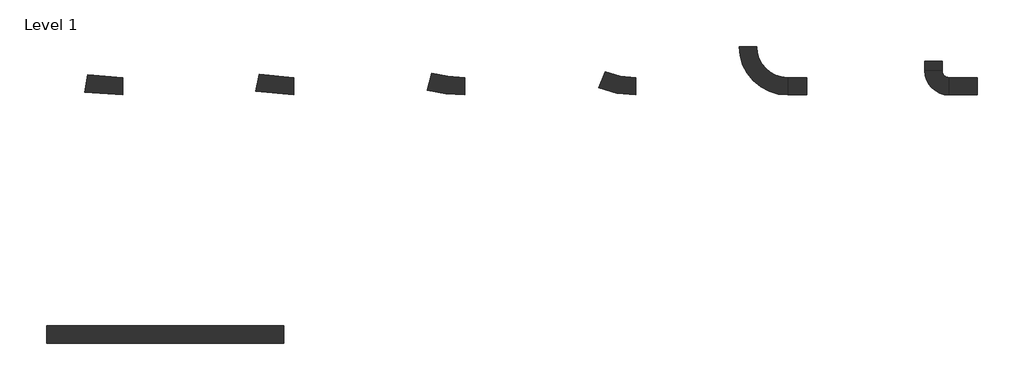
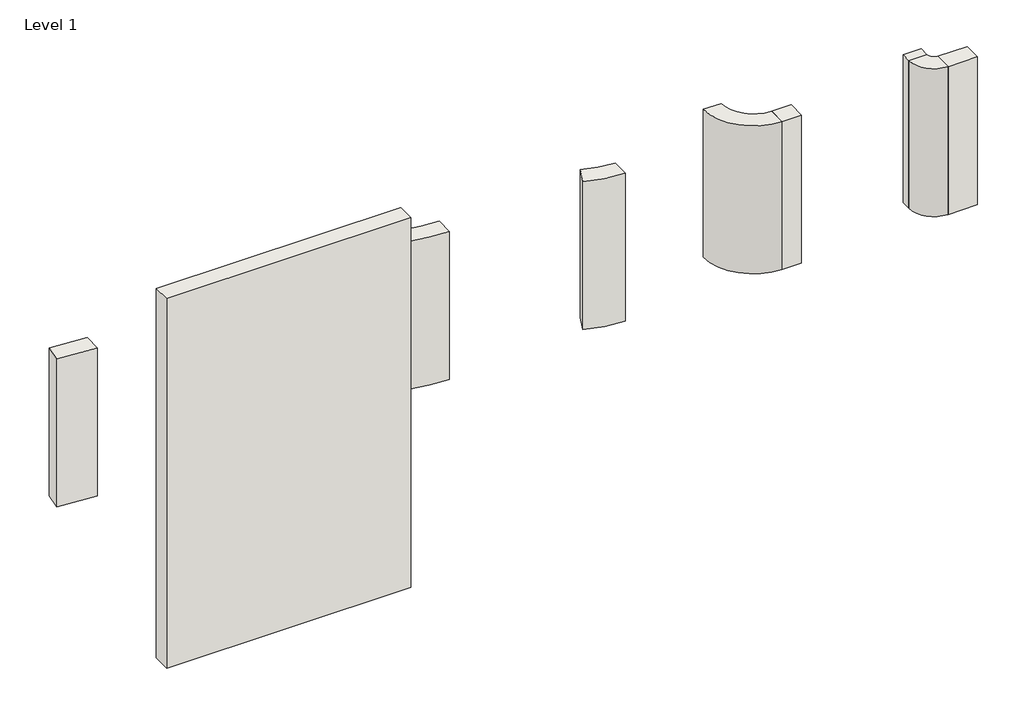
# One storey: 10 walls.
"""IFC4 building model written with IfcOpenShell, lengths in millimetres."""

from ifc_helpers import new_model, si_unit, point, frame_2d, origin, origin_with_axes, place, context, project, spatial, polyline, circle_curve, trimmed, segment, composite_curve, outline, extrude, element, save

model = new_model("IFC4")

# Units and contexts
model_context = context("Model", 3, world=origin())
ifc_project = project(units=[si_unit("LENGTHUNIT", "METRE", prefix="MILLI")], contexts=[model_context])

# Site, building, storey
site = spatial("IfcSite", under=ifc_project)
building = spatial("IfcBuilding", under=site)
storey = spatial("IfcBuildingStorey", under=building, Name="Level 1", Elevation=0.0)

# Walls
placement = place(None, origin())
element("IfcWall", 1, at=placement, inside=storey, context=model_context, shape_type="SweptSolid", body=[
    extrude(outline(polyline([(-32606.0820506, -11550.1926498), (-33063.2820506, -11550.1926498), (-33063.2820506, -11270.7926498), (-32606.0820506, -11270.7926498), (-32606.0820506, -11550.1926498)])), origin_with_axes(), (0.0, 0.0, 1.0), 2438.4),
])
element("IfcWall", 2, at=placement, inside=storey, context=model_context, shape_type="SweptSolid", body=[
    extrude(outline(composite_curve([segment(polyline([(-33063.2820506, -11270.7926498), (-33063.2820506, -11550.1926498)]), True, "CONTINUOUS"), segment(trimmed(circle_curve(frame_2d((-33063.2820506, -11162.0488998)), 388.14375), [point((-33063.2820506, -11550.1926498))], [point((-33451.4258006, -11162.0488998))], False, "CARTESIAN"), True, "CONTINUOUS"), segment(polyline([(-33451.4258006, -11162.0488998), (-33172.0258006, -11162.0488998)]), True, "CONTINUOUS"), segment(trimmed(circle_curve(frame_2d((-33063.2820506, -11162.0488998)), 108.74375), [point((-33172.0258006, -11162.0488998))], [point((-33063.2820506, -11270.7926498))], True, "CARTESIAN"), True, "CONTINUOUS")], self_intersect=False)), origin_with_axes(), (0.0, 0.0, 1.0), 2438.4),
])
element("IfcWall", 3, at=placement, inside=storey, context=model_context, shape_type="SweptSolid", body=[
    extrude(outline(polyline([(-33451.4258006, -11162.0488998), (-33451.4258006, -11008.8551498), (-33172.0258006, -11008.8551498), (-33172.0258006, -11162.0488998), (-33451.4258006, -11162.0488998)])), origin_with_axes(), (0.0, 0.0, 1.0), 2438.4),
])
element("IfcWall", 4, at=placement, inside=storey, context=model_context, shape_type="SweptSolid", body=[
    extrude(outline(polyline([(-35349.2820506, -11550.1926498), (-35654.0820506, -11550.1926498), (-35654.0820506, -11270.7926498), (-35349.2820506, -11270.7926498), (-35349.2820506, -11550.1926498)])), origin_with_axes(), (0.0, 0.0, 1.0), 2438.4),
])
element("IfcWall", 5, at=placement, inside=storey, context=model_context, shape_type="SweptSolid", body=[
    extrude(outline(composite_curve([segment(polyline([(-35654.0820506, -11270.7926498), (-35654.0820506, -11550.1926498)]), True, "CONTINUOUS"), segment(trimmed(circle_curve(frame_2d((-35654.0820506, -10773.9051498)), 776.2875), [point((-35654.0820506, -11550.1926498))], [point((-36430.3689471, -10772.9372103))], False, "CARTESIAN"), True, "CONTINUOUS"), segment(polyline([(-36430.3689471, -10772.9372103), (-36150.9691643, -10773.2855893)]), True, "CONTINUOUS"), segment(trimmed(circle_curve(frame_2d((-35654.0820506, -10773.9051498)), 496.8875), [point((-36150.9691643, -10773.2855893))], [point((-35654.0820506, -11270.7926498))], True, "CARTESIAN"), True, "CONTINUOUS")], self_intersect=False)), origin_with_axes(), (0.0, 0.0, 1.0), 2438.4),
])
element("IfcWall", 6, at=placement, inside=storey, context=model_context, shape_type="SweptSolid", body=[
    extrude(outline(composite_curve([segment(polyline([(-40835.6820506, -11270.7926498), (-40835.6820506, -11550.1926498)]), True, "CONTINUOUS"), segment(trimmed(circle_curve(frame_2d((-40835.6820506, -9218.4453456)), 2331.7473042), [point((-40835.6820506, -11550.1926498))], [point((-41439.1826612, -11470.7402871))], False, "CARTESIAN"), True, "CONTINUOUS"), segment(polyline([(-41439.1826612, -11470.7402871), (-41366.86862, -11200.8606113)]), True, "CONTINUOUS"), segment(trimmed(circle_curve(frame_2d((-40835.6820506, -9218.4453456)), 2052.3473042), [point((-41366.86862, -11200.8606113))], [point((-40835.6820506, -11270.7926498))], True, "CARTESIAN"), True, "CONTINUOUS")], self_intersect=False)), origin_with_axes(), (0.0, 0.0, 1.0), 2438.4),
])
element("IfcWall", 7, at=placement, inside=storey, context=model_context, shape_type="SweptSolid", body=[
    extrude(outline(composite_curve([segment(polyline([(-43578.8820506, -11270.7926498), (-43578.8820506, -11550.1926498)]), True, "CONTINUOUS"), segment(trimmed(circle_curve(frame_2d((-43578.8820506, -8446.5665538)), 3103.626096), [point((-43578.8820506, -11550.1926498))], [point((-44184.369465, -11490.5573446))], False, "CARTESIAN"), True, "CONTINUOUS"), segment(polyline([(-44184.369465, -11490.5573446), (-44129.8612291, -11216.5259373)]), True, "CONTINUOUS"), segment(trimmed(circle_curve(frame_2d((-43578.8820506, -8446.5665538)), 2824.226096), [point((-44129.8612291, -11216.5259373))], [point((-43578.8820506, -11270.7926498))], True, "CARTESIAN"), True, "CONTINUOUS")], self_intersect=False)), origin_with_axes(), (0.0, 0.0, 1.0), 2438.4),
])
element("IfcWall", 8, at=placement, inside=storey, context=model_context, shape_type="SweptSolid", body=[
    extrude(outline(composite_curve([segment(polyline([(-46322.0820506, -11270.7926498), (-46322.0820506, -11550.1926498)]), True, "CONTINUOUS"), segment(trimmed(circle_curve(frame_2d((-46322.0820506, -7668.8222296)), 3881.3704202), [point((-46322.0820506, -11550.1926498))], [point((-46929.2621559, -11502.4065392))], False, "CARTESIAN"), True, "CONTINUOUS"), segment(polyline([(-46929.2621559, -11502.4065392), (-46885.5543663, -11226.4464168)]), True, "CONTINUOUS"), segment(trimmed(circle_curve(frame_2d((-46322.0820506, -7668.8222296)), 3601.9704202), [point((-46885.5543663, -11226.4464168))], [point((-46322.0820506, -11270.7926498))], True, "CARTESIAN"), True, "CONTINUOUS")], self_intersect=False)), origin_with_axes(), (0.0, 0.0, 1.0), 2438.4),
])
element("IfcWall", 9, at=placement, inside=storey, context=model_context, shape_type="SweptSolid", body=[
    extrude(outline(composite_curve([segment(polyline([(-38092.4820506, -11270.7926498), (-38092.4820506, -11550.1926498)]), True, "CONTINUOUS"), segment(trimmed(circle_curve(frame_2d((-38092.4820506, -9996.9528688)), 1553.239781), [point((-38092.4820506, -11550.1926498))], [point((-38686.8811812, -11431.9593116))], False, "CARTESIAN"), True, "CONTINUOUS"), segment(polyline([(-38686.8811812, -11431.9593116), (-38579.9594302, -11173.8273702)]), True, "CONTINUOUS"), segment(trimmed(circle_curve(frame_2d((-38092.4820506, -9996.9528688)), 1273.839781), [point((-38579.9594302, -11173.8273702))], [point((-38092.4820506, -11270.7926498))], True, "CARTESIAN"), True, "CONTINUOUS")], self_intersect=False)), origin_with_axes(), (0.0, 0.0, 1.0), 2438.4),
])
element("IfcWall", 10, at=placement, inside=storey, context=model_context, shape_type="SweptSolid", body=[
    extrude(outline(polyline([(-43735.5446333, -15533.1609648), (-47545.5446333, -15533.1609648), (-47545.5446333, -15253.7609648), (-43735.5446333, -15253.7609648), (-43735.5446333, -15533.1609648)])), origin_with_axes(), (0.0, 0.0, 1.0), 6096.0),
])

save(model, "model.ifc")
